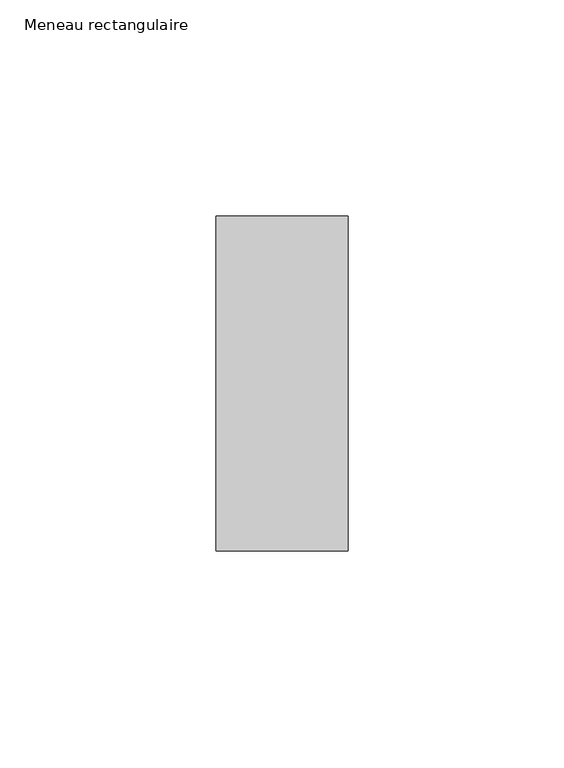
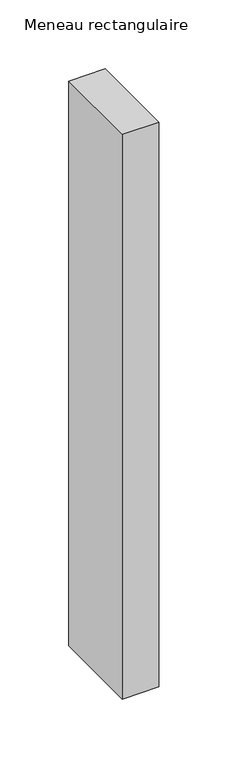
"""IFC4 building model written with IfcOpenShell, lengths in millimetres: member geometry, Meneau rectangulaire."""

from ifc_helpers import new_model, si_unit, frame, origin, place, context, project, spatial, polyline, outline, extrude, source, transform, mapped, element, save


def meneau_rectangulaire_8e9deb75(model_context):
    return source(origin(), model_context, "Body", "SweptSolid", [
        extrude(outline(polyline([(-15.25, 38.75), (15.25, 38.75), (15.25, -38.75), (-15.25, -38.75), (-15.25, 38.75)])), frame((0.0, 0.0, -500.0), z_axis=(0.0, 0.0, 1.0), x_axis=(1.0, 0.0, 0.0)), (0.0, 0.0, 1.0), 500.0),
    ])


if __name__ == "__main__":
    model = new_model("IFC4")
    model_context = context("Model", 3, world=origin())
    ifc_project = project(units=[si_unit("LENGTHUNIT", "METRE", prefix="MILLI")], contexts=[model_context])
    site = spatial("IfcSite", under=ifc_project)
    building = spatial("IfcBuilding", under=site)
    placement = place(None, origin())
    meneau_rectangulaire_shape = meneau_rectangulaire_8e9deb75(model_context)
    element("IfcMember", 1, ObjectType="Meneau rectangulaire", at=placement, inside=building, context=model_context, shape_type="MappedRepresentation", body=[
        mapped(meneau_rectangulaire_shape, transform((0.0, 0.0, 0.0), x_axis=(1.0, 0.0, 0.0), y_axis=(0.0, 1.0, 0.0), z_axis=(0.0, 0.0, 1.0))),
    ])
    save(model, "model.ifc")
